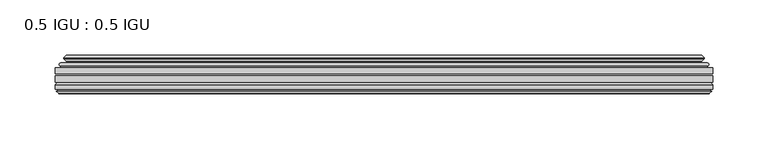
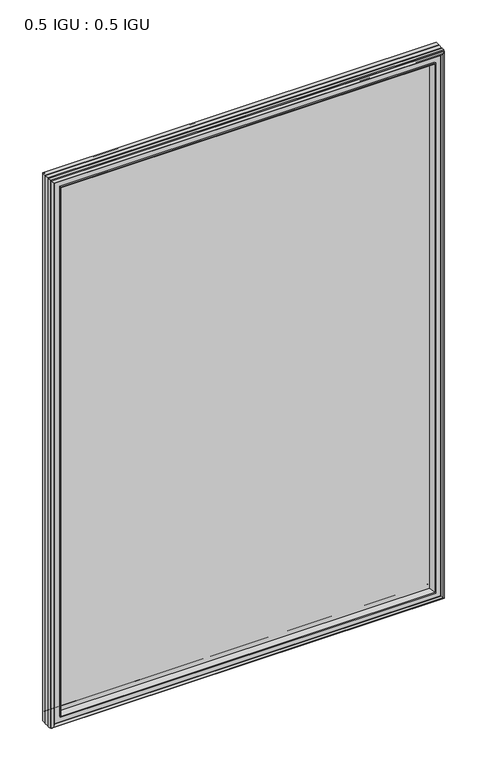
"""IFC4 building model written with IfcOpenShell, lengths in millimetres: plate geometry, 0.5 IGU : 0.5 IGU."""

from ifc_helpers import new_model, si_unit, frame, origin, place, context, project, spatial, polyline, ellipse_curve, outline, extrude, faceted_brep, source, transform, mapped, element, save
from ifc_brep_helpers import plane_surface, cylinder_surface, revolved_surface, advanced_brep


def plate_0_5_igu_0_5_igu_d92de5f2(model_context):
    return source(origin(), model_context, "Body", "SolidModel", [
        extrude(outline(polyline([(296.8798663, -55.82285), (296.8798663, -61.48705), (-296.8656913, -61.48705), (-296.8656913, -55.82285), (296.8798663, -55.82285)])), frame((0.0, 0.0, -14.2875), z_axis=(0.0, 0.0, 1.0), x_axis=(1.0, 0.0, 0.0)), (0.0, 0.0, 1.0), 873.1287979),
        extrude(outline(polyline([(-296.8656913, -69.05625), (-296.8656913, -63.39205), (296.8798663, -63.39205), (296.8798663, -69.05625), (-296.8656913, -69.05625)])), frame((0.0, 0.0, -14.2875), z_axis=(0.0, 0.0, 1.0), x_axis=(1.0, 0.0, 0.0)), (0.0, 0.0, 1.0), 873.1287979),
        advanced_brep(
        [(-292.7631539, -54.3724927, 854.7349626), (-291.7186291, -51.60645, 853.6904378), (-291.7186291, -51.60645, -9.1404378), (-292.7631539, -54.3724927, -10.1849626), (-291.1267083, -55.82285, 853.098517), (-291.1267083, -55.82285, -8.548517), (-282.5781913, -45.63745, 844.55), (-278.9954674, -55.82285, 840.9672761), (-278.9954674, -55.82285, 3.5827239), (-282.5781913, -45.63745, 0.0), (-287.7641022, -46.8185491, 849.7359109), (-287.7641022, -46.8185491, -5.1859109), (-286.9670806, -44.8183085, 848.9388893), (-286.9670806, -44.8183085, -4.3888893), (-289.2508024, -47.135817, 851.2226111), (-289.2508024, -47.135817, -6.6726111), (-289.2508024, -47.8489429, 851.2226111), (-289.2508024, -47.8489429, -6.6726111), (-286.9670806, -50.1664515, 848.9388893), (-286.9670806, -50.1664515, -4.3888893), (-287.7564414, -48.1854367, 849.7282501), (-287.7564414, -48.1854367, -5.1782501), (-285.2326292, -48.027045, 847.2044379), (-285.2326292, -48.027045, -2.6544379), (-284.206813, -48.7147544, 846.1786217), (-284.206813, -48.7147544, -1.6286217), (-284.3252202, -50.1092231, 846.2970288), (-284.3252202, -50.1092231, -1.7470288), (-284.9269661, -51.60645, 846.8987748), (-284.9269661, -51.60645, -2.3487748), (291.7186291, -51.60645, -9.1404378), (292.7631539, -54.3724927, -10.1849626), (291.1267083, -55.82285, -8.548517), (278.9954674, -55.82285, 3.5827239), (282.5781913, -45.63745, 0.0), (287.7641022, -46.8185491, -5.1859109), (286.9670806, -44.8183085, -4.3888893), (289.2508024, -47.135817, -6.6726111), (289.2508024, -47.8489429, -6.6726111), (286.9670806, -50.1664515, -4.3888893), (287.7564414, -48.1854367, -5.1782501), (285.2326292, -48.027045, -2.6544379), (284.206813, -48.7147544, -1.6286217), (284.3252202, -50.1092231, -1.7470288), (284.9269661, -51.60645, -2.3487748), (291.7186291, -51.60645, 853.6904378), (292.7631539, -54.3724927, 854.7349626), (291.1267083, -55.82285, 853.098517), (278.9954674, -55.82285, 840.9672761), (282.5781913, -45.63745, 844.55), (287.7641022, -46.8185491, 849.7359109), (286.9670806, -44.8183085, 848.9388893), (289.2508024, -47.135817, 851.2226111), (289.2508024, -47.8489429, 851.2226111), (286.9670806, -50.1664515, 848.9388893), (287.7564414, -48.1854367, 849.7282501), (285.2326292, -48.027045, 847.2044379), (284.206813, -48.7147544, 846.1786217), (284.3252202, -50.1092231, 846.2970288), (284.9269661, -51.60645, 846.8987748)],
        [
            (0, 1, ellipse_curve(frame((-291.7102616, -53.1898501, 853.6820703), z_axis=(-0.7071067811865475, 0.0, -0.7071067811865475), x_axis=(-0.7071067811865474, 0.0, 0.7071067811865476)), 2.2392971, 1.5834222)),
            (1, 2),
            (2, 3, ellipse_curve(frame((-291.7102616, -53.1898501, -9.1320703), z_axis=(-0.7071067811865475, 0.0, 0.7071067811865475), x_axis=(0.7071067811865474, 0.0, 0.7071067811865476)), 2.2392971, 1.5834222)),
            (3, 0),
            (4, 0),
            (3, 5),
            (5, 4),
            (6, 7, ellipse_curve(frame((-250.2984374, -40.0058297, 812.270246), z_axis=(0.7071067811865475, 0.0, 0.7071067811865475), x_axis=(0.7071067811865474, 0.0, -0.7071067811865476)), 46.3399971, 32.7673262)),
            (7, 8),
            (8, 9, ellipse_curve(frame((-250.2984374, -40.0058297, 32.279754), z_axis=(0.7071067811865475, 0.0, -0.7071067811865475), x_axis=(-0.7071067811865474, 0.0, -0.7071067811865476)), 46.3399971, 32.7673262)),
            (9, 6),
            (10, 6),
            (9, 11),
            (11, 10),
            (12, 10),
            (11, 13),
            (13, 12),
            (14, 12),
            (13, 15),
            (15, 14),
            (16, 14, ellipse_curve(frame((-288.8889642, -47.49238, 850.8607729), z_axis=(-0.7071067811865475, 0.0, -0.7071067811865475), x_axis=(-0.7071067811865474, 0.0, 0.7071067811865476)), 0.7184205, 0.508)),
            (15, 17, ellipse_curve(frame((-288.8889642, -47.49238, -6.3107729), z_axis=(-0.7071067811865475, 0.0, 0.7071067811865475), x_axis=(0.7071067811865474, 0.0, 0.7071067811865476)), 0.7184205, 0.508)),
            (17, 16),
            (18, 16),
            (17, 19),
            (19, 18),
            (20, 18),
            (19, 21),
            (21, 20),
            (22, 20),
            (21, 23),
            (23, 22),
            (24, 22, ellipse_curve(frame((-285.1689913, -49.04105, 847.1408), z_axis=(0.7071067811865475, 0.0, 0.7071067811865475), x_axis=(0.7071067811865474, 0.0, -0.7071067811865476)), 1.436841, 1.016)),
            (23, 25, ellipse_curve(frame((-285.1689913, -49.04105, -2.5908), z_axis=(0.7071067811865475, 0.0, -0.7071067811865475), x_axis=(-0.7071067811865474, 0.0, -0.7071067811865476)), 1.436841, 1.016)),
            (25, 24),
            (26, 24, ellipse_curve(frame((-286.5405913, -49.21885, 848.5124), z_axis=(0.7071067811865475, 0.0, 0.7071067811865475), x_axis=(0.7071067811865474, 0.0, -0.7071067811865476)), 3.3765763, 2.3876)),
            (25, 27, ellipse_curve(frame((-286.5405913, -49.21885, -3.9624), z_axis=(0.7071067811865475, 0.0, -0.7071067811865475), x_axis=(-0.7071067811865474, 0.0, -0.7071067811865476)), 3.3765763, 2.3876)),
            (27, 26),
            (28, 26),
            (27, 29),
            (29, 28),
            (2, 30),
            (30, 31, ellipse_curve(frame((291.7102616, -53.1898501, -9.1320703), z_axis=(-0.7071067811865475, 0.0, -0.7071067811865475), x_axis=(-0.7071067811865476, 0.0, 0.7071067811865474)), 2.2392971, 1.5834222)),
            (31, 3),
            (31, 32),
            (32, 5),
            (8, 33),
            (33, 34, ellipse_curve(frame((250.2984374, -40.0058297, 32.279754), z_axis=(0.7071067811865475, 0.0, 0.7071067811865475), x_axis=(0.7071067811865476, 0.0, -0.7071067811865474)), 46.3399971, 32.7673262)),
            (34, 9),
            (34, 35),
            (35, 11),
            (35, 36),
            (36, 13),
            (36, 37),
            (37, 15),
            (37, 38, ellipse_curve(frame((288.8889642, -47.49238, -6.3107729), z_axis=(-0.7071067811865475, 0.0, -0.7071067811865475), x_axis=(-0.7071067811865476, 0.0, 0.7071067811865474)), 0.7184205, 0.508)),
            (38, 17),
            (38, 39),
            (39, 19),
            (39, 40),
            (40, 21),
            (40, 41),
            (41, 23),
            (41, 42, ellipse_curve(frame((285.1689913, -49.04105, -2.5908), z_axis=(0.7071067811865475, 0.0, 0.7071067811865475), x_axis=(0.7071067811865476, 0.0, -0.7071067811865474)), 1.436841, 1.016)),
            (42, 25),
            (42, 43, ellipse_curve(frame((286.5405913, -49.21885, -3.9624), z_axis=(0.7071067811865475, 0.0, 0.7071067811865475), x_axis=(0.7071067811865476, 0.0, -0.7071067811865474)), 3.3765763, 2.3876)),
            (43, 27),
            (43, 44),
            (44, 29),
            (30, 45),
            (45, 46, ellipse_curve(frame((291.7102616, -53.1898501, 853.6820703), z_axis=(0.7071067811865475, 0.0, -0.7071067811865475), x_axis=(-0.7071067811865474, 0.0, -0.7071067811865476)), 2.2392971, 1.5834222)),
            (46, 31),
            (46, 47),
            (47, 32),
            (33, 48),
            (48, 49, ellipse_curve(frame((250.2984374, -40.0058297, 812.270246), z_axis=(-0.7071067811865475, 0.0, 0.7071067811865475), x_axis=(0.7071067811865474, 0.0, 0.7071067811865476)), 46.3399971, 32.7673262)),
            (49, 34),
            (49, 50),
            (50, 35),
            (50, 51),
            (51, 36),
            (51, 52),
            (52, 37),
            (52, 53, ellipse_curve(frame((288.8889642, -47.49238, 850.8607729), z_axis=(0.7071067811865475, 0.0, -0.7071067811865475), x_axis=(-0.7071067811865474, 0.0, -0.7071067811865476)), 0.7184205, 0.508)),
            (53, 38),
            (53, 54),
            (54, 39),
            (54, 55),
            (55, 40),
            (55, 56),
            (56, 41),
            (56, 57, ellipse_curve(frame((285.1689913, -49.04105, 847.1408), z_axis=(-0.7071067811865475, 0.0, 0.7071067811865475), x_axis=(0.7071067811865474, 0.0, 0.7071067811865476)), 1.436841, 1.016)),
            (57, 42),
            (57, 58, ellipse_curve(frame((286.5405913, -49.21885, 848.5124), z_axis=(-0.7071067811865475, 0.0, 0.7071067811865475), x_axis=(0.7071067811865474, 0.0, 0.7071067811865476)), 3.3765763, 2.3876)),
            (58, 43),
            (58, 59),
            (59, 44),
            (45, 1),
            (0, 46),
            (4, 47),
            (7, 48),
            (6, 49),
            (10, 50),
            (12, 51),
            (14, 52),
            (16, 53),
            (18, 54),
            (20, 55),
            (22, 56),
            (24, 57),
            (26, 58),
            (28, 59),
        ],
        [
            cylinder_surface(frame((-291.7102616, -53.1898501, 876.3), z_axis=(0.0, 0.0, 1.0), x_axis=(-1.0, 0.0, 0.0)), 1.5834222),
            plane_surface(frame((-292.7631539, -54.3724927, 854.7349626), z_axis=(-0.6632745773184306, -0.7483761320907135, 0.0), x_axis=(0.0, 0.0, -1.0))),
            revolved_surface(polyline([(-283.0657636, -40.0058297, -0.48757218957496207), (-283.0657636, -40.0058297, 845.037572189575)]), (-250.2984374, -40.0058297, 876.3), (0.0, 0.0, -1.0)),
            plane_surface(frame((-282.5781913, -45.63745, 844.55), z_axis=(-0.2220649844278743, 0.975031867525902, 0.0), x_axis=(0.0, 0.0, -1.0))),
            plane_surface(frame((-287.7641022, -46.8185491, 849.7359109), z_axis=(0.928968268563027, -0.37015936568323066, 0.0), x_axis=(0.0, 0.0, -1.0))),
            plane_surface(frame((-286.9670806, -44.8183085, 848.9388893), z_axis=(-0.7122798501733482, 0.7018955869907096, 0.0), x_axis=(0.0, 0.0, -1.0))),
            cylinder_surface(frame((-288.8889642, -47.49238, 876.3), z_axis=(0.0, 0.0, 1.0), x_axis=(-1.0, 0.0, 0.0)), 0.508),
            plane_surface(frame((-289.2508024, -47.8489429, 851.2226111), z_axis=(-0.7122798501732925, -0.701895586990766, 0.0), x_axis=(0.0, 0.0, -1.0))),
            plane_surface(frame((-286.9670806, -50.1664515, 848.9388893), z_axis=(0.9289682685628707, 0.3701593656836228, 0.0), x_axis=(0.0, 0.0, -1.0))),
            plane_surface(frame((-287.7564414, -48.1854367, 849.7282501), z_axis=(0.0626357011928498, -0.9980364567169279, 0.0), x_axis=(0.0, 0.0, -1.0))),
            revolved_surface(polyline([(-286.18499130000004, -49.04105, -3.606800014586838), (-286.18499130000004, -49.04105, 848.1568000145869)]), (-285.1689913, -49.04105, 876.3), (0.0, 0.0, -1.0)),
            revolved_surface(polyline([(-288.92819130000004, -49.21885, -6.3499999989237494), (-288.92819130000004, -49.21885, 850.8999999989237)]), (-286.5405913, -49.21885, 876.3), (0.0, 0.0, -1.0)),
            plane_surface(frame((-284.3252202, -50.1092231, 846.2970288), z_axis=(-0.9278652925428184, 0.3729155385532094, 0.0), x_axis=(0.0, 0.0, -1.0))),
            cylinder_surface(frame((-314.3281913, -53.1898501, -9.1320703), z_axis=(-1.0, 0.0, 0.0), x_axis=(0.0, 0.0, -1.0)), 1.5834222),
            plane_surface(frame((-292.7631539, -54.3724927, -10.1849626), z_axis=(0.0, -0.7483761320907157, -0.6632745773184283), x_axis=(1.0, 0.0, 0.0))),
            revolved_surface(polyline([(283.06576358957506, -40.0058297, -0.48757220000000245), (-283.06576358957494, -40.0058297, -0.48757220000000245)]), (-314.3281913, -40.0058297, 32.279754), (1.0, 0.0, 0.0)),
            plane_surface(frame((-282.5781913, -45.63745, 0.0), z_axis=(0.0, 0.9750318675259013, -0.22206498442787745), x_axis=(1.0, 0.0, 0.0))),
            plane_surface(frame((-287.7641022, -46.8185491, -5.1859109), z_axis=(0.0, -0.37015936568322766, 0.9289682685630283), x_axis=(1.0, 0.0, 0.0))),
            plane_surface(frame((-286.9670806, -44.8183085, -4.3888893), z_axis=(0.0, 0.7018955869907073, -0.7122798501733504), x_axis=(1.0, 0.0, 0.0))),
            cylinder_surface(frame((-314.3281913, -47.49238, -6.3107729), z_axis=(-1.0, 0.0, 0.0), x_axis=(0.0, 0.0, -1.0)), 0.508),
            plane_surface(frame((-289.2508024, -47.8489429, -6.6726111), z_axis=(0.0, -0.7018955869907684, -0.7122798501732903), x_axis=(1.0, 0.0, 0.0))),
            plane_surface(frame((-286.9670806, -50.1664515, -4.3888893), z_axis=(0.0, 0.37015936568362584, 0.9289682685628696), x_axis=(1.0, 0.0, 0.0))),
            plane_surface(frame((-287.7564414, -48.1854367, -5.1782501), z_axis=(0.0, -0.9980364567169276, 0.06263570119285301), x_axis=(1.0, 0.0, 0.0))),
            revolved_surface(polyline([(286.18499131458697, -49.04105, -3.6068000000000002), (-286.18499131458685, -49.04105, -3.6068000000000002)]), (-314.3281913, -49.04105, -2.5908), (1.0, 0.0, 0.0)),
            revolved_surface(polyline([(288.92819129892376, -49.21885, -6.35), (-288.9281912989238, -49.21885, -6.35)]), (-314.3281913, -49.21885, -3.9624), (1.0, 0.0, 0.0)),
            plane_surface(frame((-284.3252202, -50.1092231, -1.7470288), z_axis=(0.0, 0.3729155385532064, -0.9278652925428196), x_axis=(1.0, 0.0, 0.0))),
            cylinder_surface(frame((291.7102616, -53.1898501, -31.75), z_axis=(0.0, 0.0, -1.0), x_axis=(1.0, 0.0, 0.0)), 1.5834222),
            plane_surface(frame((292.7631539, -54.3724927, -10.1849626), z_axis=(0.6632745773184259, -0.7483761320907178, 0.0), x_axis=(0.0, 0.0, 1.0))),
            revolved_surface(polyline([(283.0657636, -40.0058297, 845.037572189575), (283.0657636, -40.0058297, -0.48757218957494075)]), (250.2984374, -40.0058297, -31.75), (0.0, 0.0, 1.0)),
            plane_surface(frame((282.5781913, -45.63745, 0.0), z_axis=(0.22206498442788056, 0.9750318675259005, 0.0), x_axis=(0.0, 0.0, 1.0))),
            plane_surface(frame((287.7641022, -46.8185491, -5.1859109), z_axis=(-0.9289682685630295, -0.37015936568322466, 0.0), x_axis=(0.0, 0.0, 1.0))),
            plane_surface(frame((286.9670806, -44.8183085, -4.3888893), z_axis=(0.7122798501733526, 0.701895586990705, 0.0), x_axis=(0.0, 0.0, 1.0))),
            cylinder_surface(frame((288.8889642, -47.49238, -31.75), z_axis=(0.0, 0.0, -1.0), x_axis=(1.0, 0.0, 0.0)), 0.508),
            plane_surface(frame((289.2508024, -47.8489429, -6.6726111), z_axis=(0.712279850173288, -0.7018955869907706, 0.0), x_axis=(0.0, 0.0, 1.0))),
            plane_surface(frame((286.9670806, -50.1664515, -4.3888893), z_axis=(-0.9289682685628684, 0.37015936568362884, 0.0), x_axis=(0.0, 0.0, 1.0))),
            plane_surface(frame((287.7564414, -48.1854367, -5.1782501), z_axis=(-0.06263570119285623, -0.9980364567169274, 0.0), x_axis=(0.0, 0.0, 1.0))),
            revolved_surface(polyline([(286.18499130000004, -49.04105, 848.1568000145869), (286.18499130000004, -49.04105, -3.606800014586863)]), (285.1689913, -49.04105, -31.75), (0.0, 0.0, 1.0)),
            revolved_surface(polyline([(288.92819130000004, -49.21885, 850.8999999989237), (288.92819130000004, -49.21885, -6.349999998923781)]), (286.5405913, -49.21885, -31.75), (0.0, 0.0, 1.0)),
            plane_surface(frame((284.3252202, -50.1092231, -1.7470288), z_axis=(0.9278652925428208, 0.3729155385532034, 0.0), x_axis=(0.0, 0.0, 1.0))),
            cylinder_surface(frame((314.3281913, -53.1898501, 853.6820703), z_axis=(1.0, 0.0, 0.0), x_axis=(0.0, 0.0, 1.0)), 1.5834222),
            plane_surface(frame((292.7631539, -54.3724927, 854.7349626), z_axis=(0.0, -0.7483761320907157, 0.6632745773184283), x_axis=(-1.0, 0.0, 0.0))),
            plane_surface(frame((291.1267083, -55.82285, 853.098517), z_axis=(0.0, -1.0, 0.0), x_axis=(-1.0, 0.0, 0.0))),
            revolved_surface(polyline([(-283.06576358957506, -40.0058297, 845.0375722), (283.06576358957494, -40.0058297, 845.0375722)]), (314.3281913, -40.0058297, 812.270246), (-1.0, 0.0, 0.0)),
            plane_surface(frame((282.5781913, -45.63745, 844.55), z_axis=(0.0, 0.9750318675259012, 0.22206498442787742), x_axis=(-1.0, 0.0, 0.0))),
            plane_surface(frame((287.7641022, -46.8185491, 849.7359109), z_axis=(0.0, -0.37015936568322766, -0.9289682685630283), x_axis=(-1.0, 0.0, 0.0))),
            plane_surface(frame((286.9670806, -44.8183085, 848.9388893), z_axis=(0.0, 0.7018955869907073, 0.7122798501733504), x_axis=(-1.0, 0.0, 0.0))),
            cylinder_surface(frame((314.3281913, -47.49238, 850.8607729), z_axis=(1.0, 0.0, 0.0), x_axis=(0.0, 0.0, 1.0)), 0.508),
            plane_surface(frame((289.2508024, -47.8489429, 851.2226111), z_axis=(0.0, -0.7018955869907684, 0.7122798501732903), x_axis=(-1.0, 0.0, 0.0))),
            plane_surface(frame((286.9670806, -50.1664515, 848.9388893), z_axis=(0.0, 0.37015936568362584, -0.9289682685628696), x_axis=(-1.0, 0.0, 0.0))),
            plane_surface(frame((287.7564414, -48.1854367, 849.7282501), z_axis=(0.0, -0.9980364567169276, -0.06263570119285301), x_axis=(-1.0, 0.0, 0.0))),
            revolved_surface(polyline([(-286.18499131458697, -49.04105, 848.1568), (286.18499131458685, -49.04105, 848.1568)]), (314.3281913, -49.04105, 847.1408), (-1.0, 0.0, 0.0)),
            revolved_surface(polyline([(-288.92819129892376, -49.21885, 850.9), (288.9281912989238, -49.21885, 850.9)]), (314.3281913, -49.21885, 848.5124), (-1.0, 0.0, 0.0)),
            plane_surface(frame((284.3252202, -50.1092231, 846.2970288), z_axis=(0.0, 0.3729155385532064, 0.9278652925428196), x_axis=(-1.0, 0.0, 0.0))),
            plane_surface(frame((284.9269661, -51.60645, 846.8987748), z_axis=(0.0, 1.0, 0.0), x_axis=(-1.0, 0.0, 0.0))),
        ],
        [
            (0, [[1, 2, 3, 4]]),
            (1, [[5, -4, 6, 7]]),
            (2, [[8, 9, 10, 11]]),
            (3, [[12, -11, 13, 14]]),
            (4, [[15, -14, 16, 17]]),
            (5, [[18, -17, 19, 20]]),
            (6, [[21, -20, 22, 23]]),
            (7, [[24, -23, 25, 26]]),
            (8, [[27, -26, 28, 29]]),
            (9, [[30, -29, 31, 32]]),
            (10, [[33, -32, 34, 35]]),
            (11, [[36, -35, 37, 38]]),
            (12, [[39, -38, 40, 41]]),
            (13, [[-3, 42, 43, 44]]),
            (14, [[-6, -44, 45, 46]]),
            (15, [[-10, 47, 48, 49]]),
            (16, [[-13, -49, 50, 51]]),
            (17, [[-16, -51, 52, 53]]),
            (18, [[-19, -53, 54, 55]]),
            (19, [[-22, -55, 56, 57]]),
            (20, [[-25, -57, 58, 59]]),
            (21, [[-28, -59, 60, 61]]),
            (22, [[-31, -61, 62, 63]]),
            (23, [[-34, -63, 64, 65]]),
            (24, [[-37, -65, 66, 67]]),
            (25, [[-40, -67, 68, 69]]),
            (26, [[-43, 70, 71, 72]]),
            (27, [[-45, -72, 73, 74]]),
            (28, [[-48, 75, 76, 77]]),
            (29, [[-50, -77, 78, 79]]),
            (30, [[-52, -79, 80, 81]]),
            (31, [[-54, -81, 82, 83]]),
            (32, [[-56, -83, 84, 85]]),
            (33, [[-58, -85, 86, 87]]),
            (34, [[-60, -87, 88, 89]]),
            (35, [[-62, -89, 90, 91]]),
            (36, [[-64, -91, 92, 93]]),
            (37, [[-66, -93, 94, 95]]),
            (38, [[-68, -95, 96, 97]]),
            (39, [[-71, 98, -1, 99]]),
            (40, [[-73, -99, -5, 100]]),
            (41, [[-46, -74, -100, -7], [101, -75, -47, -9]]),
            (42, [[-76, -101, -8, 102]]),
            (43, [[-78, -102, -12, 103]]),
            (44, [[-80, -103, -15, 104]]),
            (45, [[-82, -104, -18, 105]]),
            (46, [[-84, -105, -21, 106]]),
            (47, [[-86, -106, -24, 107]]),
            (48, [[-88, -107, -27, 108]]),
            (49, [[-90, -108, -30, 109]]),
            (50, [[-92, -109, -33, 110]]),
            (51, [[-94, -110, -36, 111]]),
            (52, [[-96, -111, -39, 112]]),
            (53, [[-98, -70, -42, -2], [-69, -97, -112, -41]]),
        ],
    ),
        faceted_brep([(-278.723974, -69.05625, 840.6957827), (-281.2902711, -77.94625, 843.2620798), (-281.2902711, -77.94625, 1.2879202), (-278.723974, -69.05625, 3.8542173), (-296.8783913, -71.2633102, 858.8502), (-294.6713311, -69.05625, 856.6431398), (-294.6713311, -69.05625, -12.0931398), (-296.8783913, -71.2633102, -14.3002), (-296.8783913, -75.40625, 858.8502), (-296.8783913, -75.40625, -14.3002), (-294.4593689, -76.58989, 856.4311775), (-295.3289913, -75.40625, 857.3008), (-295.3289913, -75.40625, -12.7508), (-294.4593689, -76.58989, -11.8811775), (-294.2621913, -77.8875884, 856.234), (-294.2621913, -77.8875884, -11.684), (-295.2378513, -77.3578917, 857.20966), (-295.2378513, -77.3578917, -12.65966), (-293.7033913, -79.1749663, 855.6752), (-296.0305219, -77.3578917, 858.0023305), (-296.0305219, -77.3578917, -13.4523305), (-293.7033913, -79.1749663, -11.1252), (-291.3762608, -77.3578917, 853.3480695), (-291.3762608, -77.3578917, -8.7980695), (-293.1445913, -77.8875884, 855.1164), (-292.1689314, -77.3578917, 854.14074), (-292.1689314, -77.3578917, -9.59074), (-293.1445913, -77.8875884, -10.5664), (-292.9474138, -76.58989, 854.9192225), (-292.9474138, -76.58989, -10.3692225), (-292.0777913, -75.40625, 854.0496), (-292.0777913, -75.40625, -9.4996), (-282.929558, -77.94625, 844.9013667), (-282.4003913, -75.40625, 844.3722), (-282.4003913, -75.40625, 0.1778), (-282.929558, -77.94625, -0.3513667), (281.2902711, -77.94625, 1.2879202), (278.723974, -69.05625, 3.8542173), (294.6713311, -69.05625, -12.0931398), (296.8783913, -71.2633102, -14.3002), (296.8783913, -75.40625, -14.3002), (295.3289913, -75.40625, -12.7508), (294.4593689, -76.58989, -11.8811775), (294.2621913, -77.8875884, -11.684), (295.2378513, -77.3578917, -12.65966), (296.0305219, -77.3578917, -13.4523305), (293.7033913, -79.1749663, -11.1252), (291.3762608, -77.3578917, -8.7980695), (292.1689314, -77.3578917, -9.59074), (293.1445913, -77.8875884, -10.5664), (292.9474138, -76.58989, -10.3692225), (292.0777913, -75.40625, -9.4996), (282.4003913, -75.40625, 0.1778), (282.929558, -77.94625, -0.3513667), (281.2902711, -77.94625, 843.2620798), (278.723974, -69.05625, 840.6957827), (294.6713311, -69.05625, 856.6431398), (296.8783913, -71.2633102, 858.8502), (296.8783913, -75.40625, 858.8502), (295.3289913, -75.40625, 857.3008), (294.4593689, -76.58989, 856.4311775), (294.2621913, -77.8875884, 856.234), (295.2378513, -77.3578917, 857.20966), (296.0305219, -77.3578917, 858.0023305), (293.7033913, -79.1749663, 855.6752), (291.3762608, -77.3578917, 853.3480695), (292.1689314, -77.3578917, 854.14074), (293.1445913, -77.8875884, 855.1164), (292.9474138, -76.58989, 854.9192225), (292.0777913, -75.40625, 854.0496), (282.4003913, -75.40625, 844.3722), (282.929558, -77.94625, 844.9013667)], [[[0, 1, 2, 3]], [[4, 5, 6, 7]], [[8, 4, 7, 9]], [[10, 11, 12, 13]], [[14, 10, 13, 15]], [[16, 14, 15, 17]], [[18, 19, 20, 21]], [[22, 18, 21, 23]], [[24, 25, 26, 27]], [[28, 24, 27, 29]], [[30, 28, 29, 31]], [[32, 33, 34, 35]], [[3, 2, 36, 37]], [[7, 6, 38, 39]], [[9, 7, 39, 40]], [[13, 12, 41, 42]], [[15, 13, 42, 43]], [[17, 15, 43, 44]], [[21, 20, 45, 46]], [[23, 21, 46, 47]], [[27, 26, 48, 49]], [[29, 27, 49, 50]], [[31, 29, 50, 51]], [[35, 34, 52, 53]], [[37, 36, 54, 55]], [[39, 38, 56, 57]], [[40, 39, 57, 58]], [[42, 41, 59, 60]], [[43, 42, 60, 61]], [[44, 43, 61, 62]], [[46, 45, 63, 64]], [[47, 46, 64, 65]], [[49, 48, 66, 67]], [[50, 49, 67, 68]], [[51, 50, 68, 69]], [[53, 52, 70, 71]], [[55, 54, 1, 0]], [[5, 56, 38, 6], [3, 37, 55, 0]], [[57, 56, 5, 4]], [[58, 57, 4, 8]], [[9, 40, 58, 8], [11, 59, 41, 12]], [[60, 59, 11, 10]], [[61, 60, 10, 14]], [[62, 61, 14, 16]], [[19, 63, 45, 20], [17, 44, 62, 16]], [[64, 63, 19, 18]], [[65, 64, 18, 22]], [[25, 66, 48, 26], [23, 47, 65, 22]], [[67, 66, 25, 24]], [[68, 67, 24, 28]], [[69, 68, 28, 30]], [[31, 51, 69, 30], [33, 70, 52, 34]], [[71, 70, 33, 32]], [[35, 53, 71, 32], [1, 54, 36, 2]]]),
    ])


if __name__ == "__main__":
    model = new_model("IFC4")
    model_context = context("Model", 3, world=origin())
    ifc_project = project(units=[si_unit("LENGTHUNIT", "METRE", prefix="MILLI")], contexts=[model_context])
    site = spatial("IfcSite", under=ifc_project)
    building = spatial("IfcBuilding", under=site)
    placement = place(None, origin())
    plate_0_5_igu_0_5_igu_shape = plate_0_5_igu_0_5_igu_d92de5f2(model_context)
    element("IfcPlate", 1, ObjectType="0.5 IGU : 0.5 IGU", at=placement, inside=building, context=model_context, shape_type="MappedRepresentation", body=[
        mapped(plate_0_5_igu_0_5_igu_shape, transform((0.0, 0.0, 0.0), x_axis=(1.0, 0.0, 0.0), y_axis=(0.0, 1.0, 0.0), z_axis=(0.0, 0.0, 1.0))),
    ])
    save(model, "model.ifc")
